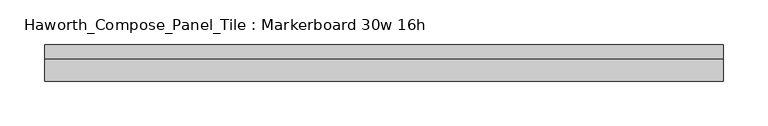
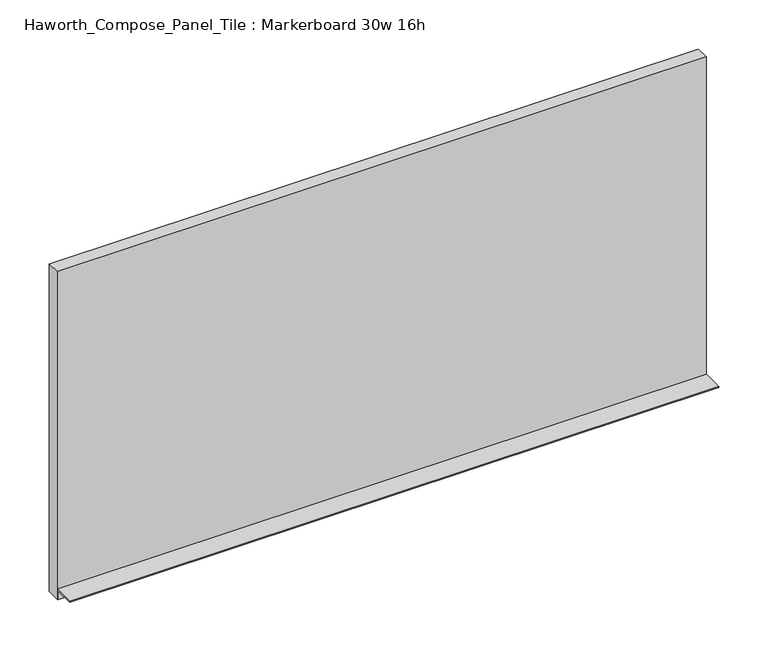
"""IFC4 building model written with IfcOpenShell, lengths in millimetres: furniture geometry, Haworth_Compose_Panel_Tile : Markerboard 30w 16h."""

from ifc_helpers import new_model, si_unit, frame, origin, place, context, project, spatial, polyline, outline, extrude, source, transform, mapped, element, save


def haworth_compose_panel_tile_markerboard_30w_16h_6d5c8911(model_context):
    return source(origin(), model_context, "Body", "SweptSolid", [
        extrude(outline(polyline([(383.4402902, -28.8968594), (-378.5597098, -28.8968594), (-378.5597098, -13.0218594), (383.4402902, -13.0218594), (383.4402902, -28.8968594)])), frame((0.0, 0.0, 1066.8), z_axis=(0.0, 0.0, 1.0), x_axis=(1.0, 0.0, 0.0)), (0.0, 0.0, 1.0), 406.4),
        extrude(outline(polyline([(-28.8968594, 1079.5), (-28.8968594, 1066.8), (-30.4843594, 1066.8), (-30.4843594, 1077.9125), (-54.2968594, 1077.9125), (-54.2968594, 1079.5), (-28.8968594, 1079.5)])), frame((-378.5597098, 0.0, 0.0), z_axis=(1.0, 0.0, 0.0), x_axis=(0.0, 1.0, 0.0)), (0.0, 0.0, 1.0), 762.0),
    ])


if __name__ == "__main__":
    model = new_model("IFC4")
    model_context = context("Model", 3, world=origin())
    ifc_project = project(units=[si_unit("LENGTHUNIT", "METRE", prefix="MILLI")], contexts=[model_context])
    site = spatial("IfcSite", under=ifc_project)
    building = spatial("IfcBuilding", under=site)
    placement = place(None, origin())
    haworth_compose_panel_tile_markerboard_30w_16h_shape = haworth_compose_panel_tile_markerboard_30w_16h_6d5c8911(model_context)
    element("IfcFurniture", 1, ObjectType="Haworth_Compose_Panel_Tile : Markerboard 30w 16h", at=placement, inside=building, context=model_context, shape_type="MappedRepresentation", body=[
        mapped(haworth_compose_panel_tile_markerboard_30w_16h_shape, transform((0.0, 0.0, 0.0), x_axis=(1.0, 0.0, 0.0), y_axis=(0.0, 1.0, 0.0), z_axis=(0.0, 0.0, 1.0))),
    ])
    save(model, "model.ifc")
